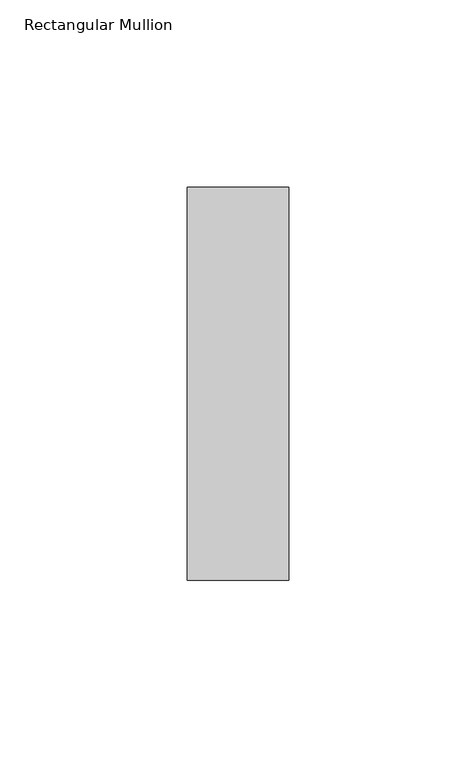
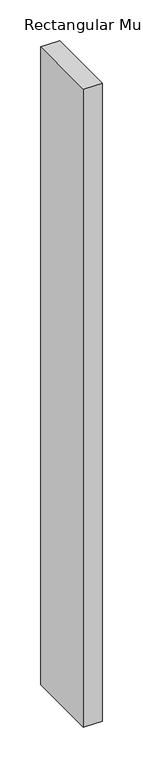
"""IFC4 building model written with IfcOpenShell, lengths in millimetres: member geometry, Rectangular Mullion."""

from ifc_helpers import new_model, si_unit, frame, origin, place, context, project, spatial, polyline, outline, extrude, source, transform, mapped, element, save


def rectangular_mullion_3fdf8f2b(model_context):
    return source(origin(), model_context, "Body", "SweptSolid", [
        extrude(outline(polyline([(-27.0, 52.3975), (0.0, 52.3975), (0.0, -52.3975), (-27.0, -52.3975), (-27.0, 52.3975)])), frame((0.0, 0.0, -957.5), z_axis=(0.0, 0.0, 1.0), x_axis=(1.0, 0.0, 0.0)), (0.0, 0.0, 1.0), 957.5),
    ])


if __name__ == "__main__":
    model = new_model("IFC4")
    model_context = context("Model", 3, world=origin())
    ifc_project = project(units=[si_unit("LENGTHUNIT", "METRE", prefix="MILLI")], contexts=[model_context])
    site = spatial("IfcSite", under=ifc_project)
    building = spatial("IfcBuilding", under=site)
    placement = place(None, origin())
    rectangular_mullion_shape = rectangular_mullion_3fdf8f2b(model_context)
    element("IfcMember", 1, ObjectType="Rectangular Mullion", at=placement, inside=building, context=model_context, shape_type="MappedRepresentation", body=[
        mapped(rectangular_mullion_shape, transform((0.0, 0.0, 0.0), x_axis=(1.0, 0.0, 0.0), y_axis=(0.0, 1.0, 0.0), z_axis=(0.0, 0.0, 1.0))),
    ])
    save(model, "model.ifc")
